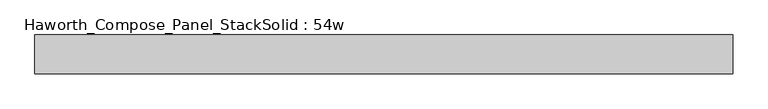
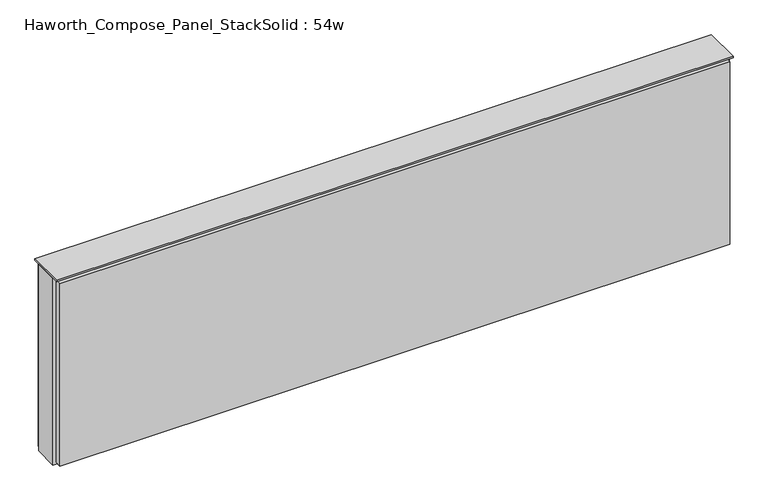
"""IFC4 building model written with IfcOpenShell, lengths in millimetres: furniture geometry, Haworth_Compose_Panel_StackSolid : 54w."""

from ifc_helpers import new_model, si_unit, frame, origin, place, context, project, spatial, polyline, outline, extrude, source, transform, mapped, element, save


def haworth_compose_panel_stacksolid_54w_47dad2a7(model_context):
    return source(origin(), model_context, "Body", "SweptSolid", [
        extrude(outline(polyline([(681.8902902, 38.1), (681.8902902, 25.4), (-677.0097098, 25.4), (-677.0097098, 38.1), (681.8902902, 38.1)])), frame((0.0, 0.0, 1066.8), z_axis=(0.0, 0.0, 1.0), x_axis=(1.0, 0.0, 0.0)), (0.0, 0.0, 1.0), 390.525),
        extrude(outline(polyline([(681.8902902, -38.1), (-677.0097098, -38.1), (-677.0097098, -25.4), (681.8902902, -25.4), (681.8902902, -38.1)])), frame((0.0, 0.0, 1069.975), z_axis=(0.0, 0.0, 1.0), x_axis=(1.0, 0.0, 0.0)), (0.0, 0.0, 1.0), 390.525),
        extrude(outline(polyline([(688.2402902, 25.4), (688.2402902, -25.4), (-683.3597098, -25.4), (-683.3597098, 25.4), (688.2402902, 25.4)])), frame((0.0, 0.0, 1066.8), z_axis=(0.0, 0.0, 1.0), x_axis=(1.0, 0.0, 0.0)), (0.0, 0.0, 1.0), 400.05),
        extrude(outline(polyline([(-683.3597098, -38.1), (-683.3597098, 38.1), (688.2402902, 38.1), (688.2402902, -38.1), (-683.3597098, -38.1)])), frame((0.0, 0.0, 1466.85), z_axis=(0.0, 0.0, 1.0), x_axis=(1.0, 0.0, 0.0)), (0.0, 0.0, 1.0), 3.175),
    ])


if __name__ == "__main__":
    model = new_model("IFC4")
    model_context = context("Model", 3, world=origin())
    ifc_project = project(units=[si_unit("LENGTHUNIT", "METRE", prefix="MILLI")], contexts=[model_context])
    site = spatial("IfcSite", under=ifc_project)
    building = spatial("IfcBuilding", under=site)
    placement = place(None, origin())
    haworth_compose_panel_stacksolid_54w_shape = haworth_compose_panel_stacksolid_54w_47dad2a7(model_context)
    element("IfcFurniture", 1, ObjectType="Haworth_Compose_Panel_StackSolid : 54w", at=placement, inside=building, context=model_context, shape_type="MappedRepresentation", body=[
        mapped(haworth_compose_panel_stacksolid_54w_shape, transform((0.0, 0.0, 0.0), x_axis=(1.0, 0.0, 0.0), y_axis=(0.0, 1.0, 0.0), z_axis=(0.0, 0.0, 1.0))),
    ])
    save(model, "model.ifc")
